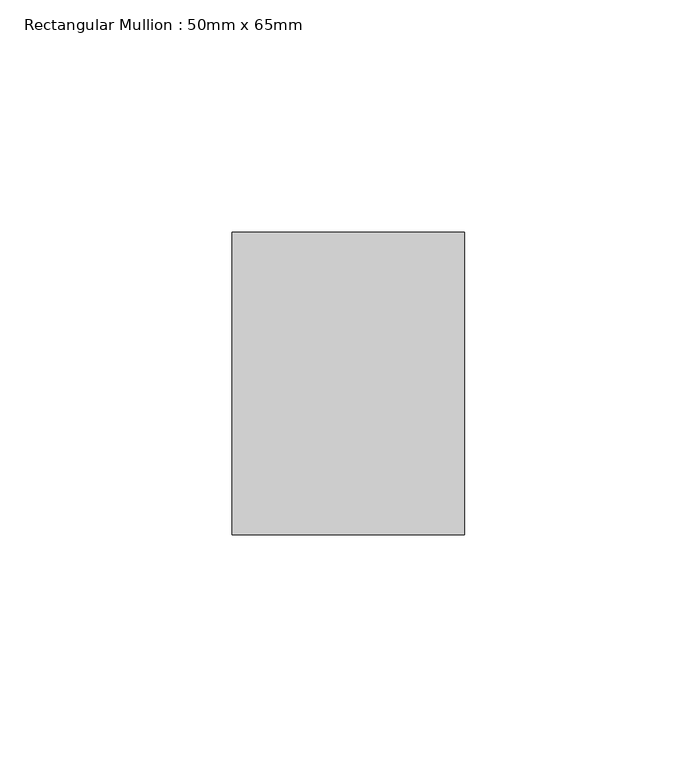
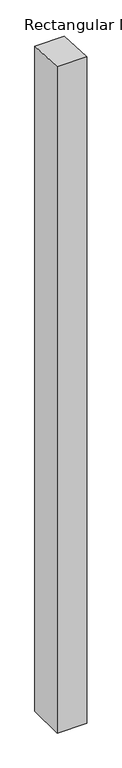
"""IFC4 building model written with IfcOpenShell, lengths in millimetres: member geometry, Rectangular Mullion : 50mm x 65mm."""

from ifc_helpers import new_model, si_unit, frame, origin, place, context, project, spatial, polyline, outline, extrude, source, transform, mapped, element, save


def rectangular_mullion_50mm_x_65mm_fbcfc62d(model_context):
    return source(origin(), model_context, "Body", "SweptSolid", [
        extrude(outline(polyline([(-32.5, 1.2410911), (32.5, -1.2410909), (32.5, -1189.1179457), (-32.5, -1189.1179457), (-32.5, 1.2410911)])), frame((-25.0, 0.0, 0.0), z_axis=(1.0, 0.0, 0.0), x_axis=(0.0, 1.0, 0.0)), (0.0, 0.0, 1.0), 50.0),
    ])


if __name__ == "__main__":
    model = new_model("IFC4")
    model_context = context("Model", 3, world=origin())
    ifc_project = project(units=[si_unit("LENGTHUNIT", "METRE", prefix="MILLI")], contexts=[model_context])
    site = spatial("IfcSite", under=ifc_project)
    building = spatial("IfcBuilding", under=site)
    placement = place(None, origin())
    rectangular_mullion_50mm_x_65mm_shape = rectangular_mullion_50mm_x_65mm_fbcfc62d(model_context)
    element("IfcMember", 1, ObjectType="Rectangular Mullion : 50mm x 65mm", at=placement, inside=building, context=model_context, shape_type="MappedRepresentation", body=[
        mapped(rectangular_mullion_50mm_x_65mm_shape, transform((0.0, 0.0, 0.0), x_axis=(1.0, 0.0, 0.0), y_axis=(0.0, 1.0, 0.0), z_axis=(0.0, 0.0, 1.0))),
    ])
    save(model, "model.ifc")
